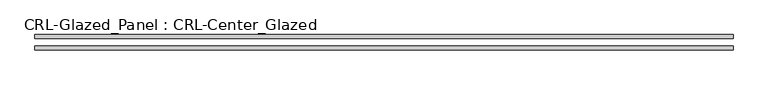
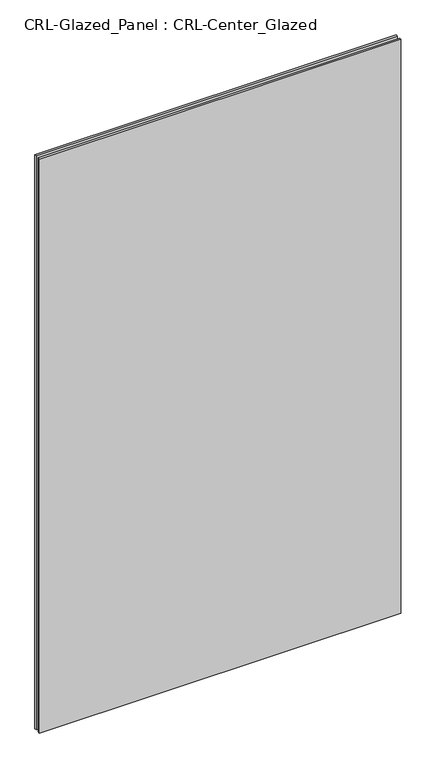
"""IFC4 building model written with IfcOpenShell, lengths in millimetres: plate geometry, CRL-Glazed_Panel : CRL-Center_Glazed."""

from ifc_helpers import new_model, si_unit, origin, origin_with_axes, place, context, project, spatial, polyline, outline, extrude, source, transform, mapped, element, save


def crl_glazed_panel_crl_center_glazed_16eb092b(model_context):
    return source(origin(), model_context, "Body", "SweptSolid", [
        extrude(outline(polyline([(583.4062234, -12.7), (-583.4062234, -12.7), (-583.4062234, -6.35), (583.4062234, -6.35), (583.4062234, -12.7)])), origin_with_axes(), (0.0, 0.0, 1.0), 1958.975),
        extrude(outline(polyline([(-583.4062234, 6.35), (-583.4062234, 12.7), (583.4062234, 12.7), (583.4062234, 6.35), (-583.4062234, 6.35)])), origin_with_axes(), (0.0, 0.0, 1.0), 1958.975),
    ])


if __name__ == "__main__":
    model = new_model("IFC4")
    model_context = context("Model", 3, world=origin())
    ifc_project = project(units=[si_unit("LENGTHUNIT", "METRE", prefix="MILLI")], contexts=[model_context])
    site = spatial("IfcSite", under=ifc_project)
    building = spatial("IfcBuilding", under=site)
    placement = place(None, origin())
    crl_glazed_panel_crl_center_glazed_shape = crl_glazed_panel_crl_center_glazed_16eb092b(model_context)
    element("IfcPlate", 1, ObjectType="CRL-Glazed_Panel : CRL-Center_Glazed", at=placement, inside=building, context=model_context, shape_type="MappedRepresentation", body=[
        mapped(crl_glazed_panel_crl_center_glazed_shape, transform((0.0, 0.0, 0.0), x_axis=(1.0, 0.0, 0.0), y_axis=(0.0, 1.0, 0.0), z_axis=(0.0, 0.0, 1.0))),
    ])
    save(model, "model.ifc")
